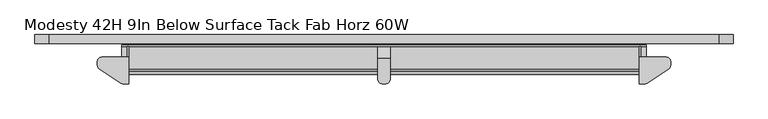
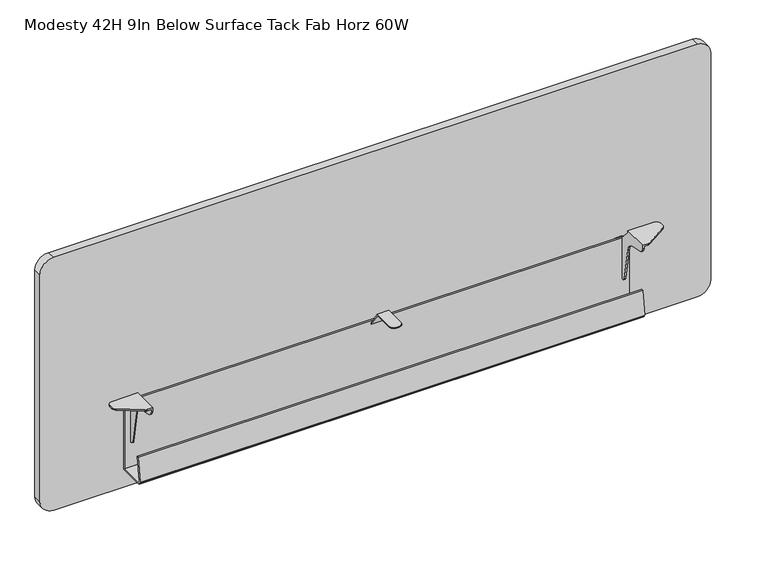
"""IFC4 building model written with IfcOpenShell, lengths in millimetres: furniture geometry, Modesty 42H 9In Below Surface Tack Fab Horz 60W."""

from ifc_helpers import new_model, si_unit, point, frame, frame_2d, origin, place, context, project, spatial, polyline, circle_curve, trimmed, segment, composite_curve, outline, extrude, faceted_brep, source, transform, mapped, element, save


def modesty_42h_9in_below_surface_tack_fab_horz_60w_67b7ecd4(model_context):
    return source(origin(), model_context, "Body", "SolidModel", [
        faceted_brep([(1354.5570723, -28.1940001, 686.8920118), (1297.788081, -28.1940001, 686.8920118), (1297.788081, -84.8360008, 686.8920118), (1308.8913731, -84.8360008, 686.8920118), (1310.7360279, -84.6556703, 686.8920118), (1312.5108288, -84.1215187, 686.8920118), (1314.148574, -83.2537619, 686.8920118), (1359.8142732, -53.0282948, 686.8920118), (1362.0968646, -50.905943, 686.8920118), (1363.5721197, -48.1603598, 686.8920118), (1364.0820723, -45.0855338, 686.8920118), (1364.0820723, -37.7190004, 686.8920118), (1362.8059692, -32.9564998, 686.8920118), (1359.3195723, -29.470108, 686.8920118), (1297.788081, -84.8360008, 679.2605736), (1300.836069, -84.8360008, 679.2605736), (1300.836069, -84.8360008, 683.8440147), (1308.8913731, -84.8360008, 683.8440147), (1300.836069, 0.0, 561.6700404), (1288.0090812, 0.0, 561.6700404), (1283.2465812, 0.0, 562.9461617), (1279.7601843, 0.0, 566.4325404), (1278.4840812, 0.0, 571.1950404), (1278.4840812, 0.0, 647.3950041), (1279.7601843, 0.0, 652.1575041), (1283.2465812, 0.0, 655.6439192), (1288.0090812, 0.0, 656.9200041), (1300.836069, 0.0, 656.9200041), (1300.836069, -28.1940001, 683.8440147), (1354.5570723, -28.1940001, 683.8440147), (1359.3195723, -29.470108, 683.8440147), (1362.8059692, -32.9564998, 683.8440147), (1364.0820723, -37.7190004, 683.8440147), (1364.0820723, -45.0855338, 683.8440147), (1363.5721197, -48.1603598, 683.8440147), (1362.0968646, -50.905943, 683.8440147), (1359.8142732, -53.0282948, 683.8440147), (1314.148574, -83.2537619, 683.8440147), (1312.5108288, -84.1215187, 683.8440147), (1310.7360279, -84.6556703, 683.8440147), (1300.836069, -83.485134, 673.5608488), (1300.836069, -79.719916, 669.0736227), (1300.836069, -74.3413335, 666.7535608), (1300.836069, -48.1471565, 662.1348021), (1300.836069, -38.6002931, 658.342083), (1300.836069, -31.336431, 651.0782095), (1300.836069, -27.5437042, 641.5313358), (1300.836069, -14.3872464, 566.9173582), (1300.836069, -13.2271995, 564.2280965), (1300.836069, -10.9835922, 562.3454716), (1300.836069, -8.1337173, 561.6700404), (1300.836069, -5.0799997, 656.9200041), (1300.836069, -28.1940001, 681.8120167), (1297.788081, -28.1940001, 681.8120167), (1297.788081, -5.0799997, 656.9200041), (1288.0090812, -3.0479994, 656.9200041), (1297.788081, -3.0479994, 656.9200041), (1297.788081, -79.719916, 669.0736227), (1297.788081, -74.3413335, 666.7535608), (1297.788081, -83.485134, 673.5608488), (1297.788081, -8.1337173, 561.6700404), (1297.788081, -3.0479994, 561.6700404), (1288.0090812, -3.0479994, 561.6700404), (1297.788081, -10.9835922, 562.3454716), (1297.788081, -13.2271995, 564.2280965), (1297.788081, -14.3872464, 566.9173582), (1297.788081, -27.5437042, 641.5313358), (1297.788081, -31.336431, 651.0782095), (1297.788081, -38.6002931, 658.342083), (1297.788081, -48.1471565, 662.1348021), (1283.2465812, -3.0479994, 655.6439192), (1279.7601843, -3.0479994, 652.1575041), (1278.4840812, -3.0479994, 647.3950041), (1278.4840812, -3.0479994, 571.1950404), (1279.7601843, -3.0479994, 566.4325404), (1283.2465812, -3.0479994, 562.9461617)], [[[0, 1, 2, 3, 4, 5, 6, 7, 8, 9, 10, 11, 12, 13]], [[3, 2, 14, 15, 16, 17]], [[18, 19, 20, 21, 22, 23, 24, 25, 26, 27]], [[28, 29, 30, 31, 32, 33, 34, 35, 36, 37, 38, 39, 17, 16]], [[16, 15, 40, 41, 42, 43, 44, 45, 46, 47, 48, 49, 50, 18, 27, 51, 52, 28]], [[29, 28, 52, 53, 1, 0]], [[13, 30, 29, 0]], [[12, 31, 30, 13]], [[11, 32, 31, 12]], [[10, 33, 32, 11]], [[9, 34, 33, 10]], [[8, 35, 34, 9]], [[7, 36, 35, 8]], [[6, 37, 36, 7]], [[5, 38, 37, 6]], [[4, 39, 38, 5]], [[3, 17, 39, 4]], [[51, 54, 53, 52]], [[27, 26, 55, 56, 54, 51]], [[41, 57, 58, 42]], [[40, 59, 57, 41]], [[15, 14, 59, 40]], [[50, 60, 61, 62, 19, 18]], [[49, 63, 60, 50]], [[48, 64, 63, 49]], [[47, 65, 64, 48]], [[46, 66, 65, 47]], [[45, 67, 66, 46]], [[44, 68, 67, 45]], [[43, 69, 68, 44]], [[42, 58, 69, 43]], [[61, 60, 63, 64, 65, 66, 67, 68, 69, 58, 57, 59, 14, 2, 1, 53, 54, 56]], [[56, 55, 70, 71, 72, 73, 74, 75, 62, 61]], [[70, 55, 26, 25]], [[25, 24, 71, 70]], [[24, 23, 72, 71]], [[23, 22, 73, 72]], [[22, 21, 74, 73]], [[21, 20, 75, 74]], [[20, 19, 62, 75]]]),
        faceted_brep([(166.4078114, -28.1940001, 686.8920118), (161.6453114, -29.470108, 686.8920118), (158.1589145, -32.9564998, 686.8920118), (156.8828114, -37.7190004, 686.8920118), (156.8828114, -45.0855338, 686.8920118), (157.3927639, -48.1603598, 686.8920118), (158.8680191, -50.905943, 686.8920118), (161.1506105, -53.0282948, 686.8920118), (206.8163097, -83.2537619, 686.8920118), (208.4540549, -84.1215187, 686.8920118), (210.2288557, -84.6556703, 686.8920118), (212.0735106, -84.8360008, 686.8920118), (223.1768027, -84.8360008, 686.8920118), (223.1768027, -28.1940001, 686.8920118), (212.0735106, -84.8360008, 683.8440147), (220.1288147, -84.8360008, 683.8440147), (220.1288147, -84.8360008, 679.2605736), (223.1768027, -84.8360008, 679.2605736), (220.1288147, 0.0, 561.6700404), (220.1288147, 0.0, 656.9200041), (232.9558024, 0.0, 656.9200041), (237.7183024, 0.0, 655.6439192), (241.2046994, 0.0, 652.1575041), (242.4808024, 0.0, 647.3950041), (242.4808024, 0.0, 571.1950404), (241.2046994, 0.0, 566.4325404), (237.7183024, 0.0, 562.9461617), (232.9558024, 0.0, 561.6700404), (220.1288147, -28.1940001, 683.8440147), (210.2288557, -84.6556703, 683.8440147), (208.4540549, -84.1215187, 683.8440147), (206.8163097, -83.2537619, 683.8440147), (161.1506105, -53.0282948, 683.8440147), (158.8680191, -50.905943, 683.8440147), (157.3927639, -48.1603598, 683.8440147), (156.8828114, -45.0855338, 683.8440147), (156.8828114, -37.7190004, 683.8440147), (158.1589145, -32.9564998, 683.8440147), (161.6453114, -29.470108, 683.8440147), (166.4078114, -28.1940001, 683.8440147), (220.1288147, -28.1940001, 681.8120167), (220.1288147, -5.0799997, 656.9200041), (220.1288147, -8.1337173, 561.6700404), (220.1288147, -10.9835922, 562.3454716), (220.1288147, -13.2271995, 564.2280965), (220.1288147, -14.3872464, 566.9173582), (220.1288147, -27.5437042, 641.5313358), (220.1288147, -31.336431, 651.0782095), (220.1288147, -38.6002931, 658.342083), (220.1288147, -48.1471565, 662.1348021), (220.1288147, -74.3413335, 666.7535608), (220.1288147, -79.719916, 669.0736227), (220.1288147, -83.485134, 673.5608488), (223.1768027, -28.1940001, 681.8120167), (223.1768027, -5.0799997, 656.9200041), (223.1768027, -3.0479994, 656.9200041), (232.9558024, -3.0479994, 656.9200041), (223.1768027, -74.3413335, 666.7535608), (223.1768027, -79.719916, 669.0736227), (223.1768027, -83.485134, 673.5608488), (232.9558024, -3.0479994, 561.6700404), (223.1768027, -3.0479994, 561.6700404), (223.1768027, -8.1337173, 561.6700404), (223.1768027, -10.9835922, 562.3454716), (223.1768027, -13.2271995, 564.2280965), (223.1768027, -14.3872464, 566.9173582), (223.1768027, -27.5437042, 641.5313358), (223.1768027, -31.336431, 651.0782095), (223.1768027, -38.6002931, 658.342083), (223.1768027, -48.1471565, 662.1348021), (237.7183024, -3.0479994, 562.9461617), (241.2046994, -3.0479994, 566.4325404), (242.4808024, -3.0479994, 571.1950404), (242.4808024, -3.0479994, 647.3950041), (241.2046994, -3.0479994, 652.1575041), (237.7183024, -3.0479994, 655.6439192)], [[[0, 1, 2, 3, 4, 5, 6, 7, 8, 9, 10, 11, 12, 13]], [[11, 14, 15, 16, 17, 12]], [[18, 19, 20, 21, 22, 23, 24, 25, 26, 27]], [[28, 15, 14, 29, 30, 31, 32, 33, 34, 35, 36, 37, 38, 39]], [[15, 28, 40, 41, 19, 18, 42, 43, 44, 45, 46, 47, 48, 49, 50, 51, 52, 16]], [[39, 0, 13, 53, 40, 28]], [[1, 0, 39, 38]], [[2, 1, 38, 37]], [[3, 2, 37, 36]], [[4, 3, 36, 35]], [[5, 4, 35, 34]], [[6, 5, 34, 33]], [[7, 6, 33, 32]], [[8, 7, 32, 31]], [[9, 8, 31, 30]], [[10, 9, 30, 29]], [[11, 10, 29, 14]], [[41, 40, 53, 54]], [[19, 41, 54, 55, 56, 20]], [[51, 50, 57, 58]], [[52, 51, 58, 59]], [[16, 52, 59, 17]], [[42, 18, 27, 60, 61, 62]], [[43, 42, 62, 63]], [[44, 43, 63, 64]], [[45, 44, 64, 65]], [[46, 45, 65, 66]], [[47, 46, 66, 67]], [[48, 47, 67, 68]], [[49, 48, 68, 69]], [[50, 49, 69, 57]], [[61, 55, 54, 53, 13, 12, 17, 59, 58, 57, 69, 68, 67, 66, 65, 64, 63, 62]], [[55, 61, 60, 70, 71, 72, 73, 74, 75, 56]], [[75, 21, 20, 56]], [[21, 75, 74, 22]], [[22, 74, 73, 23]], [[23, 73, 72, 24]], [[24, 72, 71, 25]], [[25, 71, 70, 26]], [[26, 70, 60, 27]]]),
        faceted_brep([(773.176, -30.7450483, 683.8440147), (773.176, -3.0490599, 644.5244466), (773.176, -3.0490599, 570.2298918), (773.176, 0.0, 570.2298918), (773.176, 0.0, 644.522941), (773.176, -29.6671998, 686.8920118), (773.176, -75.4379103, 686.8920118), (773.176, -75.4379103, 683.8440147), (747.776, -29.6671998, 686.8920118), (747.776, 0.0, 644.522941), (747.776, 0.0, 570.2298014), (747.776, -3.0490599, 570.2298014), (747.776, -3.0490599, 644.5244466), (747.776, -30.7450483, 683.8440147), (747.776, -75.4380007, 683.8440147), (747.776, -75.4380007, 686.8920118), (771.8998909, -80.2005007, 683.8440147), (768.4134758, -83.6868931, 683.8440147), (763.6509758, -84.9630007, 683.8440147), (757.301, -84.9630007, 683.8440147), (752.5385, -83.6868931, 683.8440147), (749.0520849, -80.2005007, 683.8440147), (749.0520849, -3.0490599, 565.4673014), (752.5385, -3.0490599, 561.9809226), (757.301, -3.0490599, 560.7048014), (763.6509758, -3.0490599, 560.7048014), (768.4134758, -3.0490599, 561.9809226), (771.8998909, -3.0490599, 565.4673014), (757.301, 0.0, 560.7048014), (763.6509758, 0.0, 560.7048014), (771.8998909, 0.0, 565.4673014), (768.4134758, 0.0, 561.9809226), (752.5385, 0.0, 561.9809226), (749.0520849, 0.0, 565.4673014), (749.0520849, -80.2005007, 686.8920118), (752.5385, -83.6868931, 686.8920118), (757.301, -84.9630007, 686.8920118), (763.6509758, -84.9630007, 686.8920118), (768.4134758, -83.6868931, 686.8920118), (771.8998909, -80.2005007, 686.8920118)], [[[0, 1, 2, 3, 4, 5, 6, 7]], [[8, 9, 10, 11, 12, 13, 14, 15]], [[13, 0, 7, 16, 17, 18, 19, 20, 21, 14]], [[1, 0, 13, 12]], [[1, 12, 11, 22, 23, 24, 25, 26, 27, 2]], [[25, 24, 28, 29]], [[9, 4, 3, 30, 31, 29, 28, 32, 33, 10]], [[5, 4, 9, 8]], [[5, 8, 15, 34, 35, 36, 37, 38, 39, 6]], [[19, 18, 37, 36]], [[21, 34, 15, 14]], [[35, 20, 19, 36]], [[34, 21, 20, 35]], [[17, 38, 37, 18]], [[39, 16, 7, 6]], [[38, 17, 16, 39]], [[23, 32, 28, 24]], [[32, 23, 22, 33]], [[33, 22, 11, 10]], [[27, 30, 3, 2]], [[30, 27, 26, 31]], [[31, 26, 25, 29]]]),
        extrude(outline(composite_curve([segment(polyline([(1042.4922, 1465.58), (1042.4922, 55.372)]), True, "CONTINUOUS"), segment(trimmed(circle_curve(frame_2d((1012.5202, 55.372)), 29.972), [point((1042.4922, 55.372))], [point((1012.5202, 25.4))], False, "CARTESIAN"), True, "CONTINUOUS"), segment(polyline([(1012.5202, 25.4), (487.2475282, 25.4)]), True, "CONTINUOUS"), segment(trimmed(circle_curve(frame_2d((487.2475282, 55.372)), 29.972), [point((487.2475282, 25.4))], [point((457.2755282, 55.372))], False, "CARTESIAN"), True, "CONTINUOUS"), segment(polyline([(457.2755282, 55.372), (457.2755282, 1465.58)]), True, "CONTINUOUS"), segment(trimmed(circle_curve(frame_2d((487.2475282, 1465.58)), 29.972), [point((457.2755282, 1465.58))], [point((487.2475282, 1495.552))], False, "CARTESIAN"), True, "CONTINUOUS"), segment(polyline([(487.2475282, 1495.552), (1012.5202, 1495.552)]), True, "CONTINUOUS"), segment(trimmed(circle_curve(frame_2d((1012.5202, 1465.58)), 29.972), [point((1012.5202, 1495.552))], [point((1042.4922, 1465.58))], False, "CARTESIAN"), True, "CONTINUOUS")], self_intersect=False)), frame((0.0, 0.0, 0.0), z_axis=(0.0, 1.0, 0.0), x_axis=(0.0, 0.0, 1.0)), (0.0, 0.0, 1.0), 19.05),
        extrude(outline(polyline([(-3.048, 657.6819489), (-3.048, 500.6337951), (-58.2252166, 500.6337951), (-61.6526328, 501.6382032), (-63.9957855, 504.3336782), (-64.5134184, 507.8675105), (-56.9965739, 561.3526543), (-53.8524707, 560.9107844), (-61.3693175, 507.4256407), (-61.1105011, 505.6587427), (-59.9389247, 504.3109689), (-58.2252166, 503.808783), (-6.2210553, 503.808783), (-6.2210553, 657.6819489), (-3.048, 657.6819489)])), frame((207.7525353, 0.0, 0.0), z_axis=(1.0, 0.0, 0.0), x_axis=(0.0, 1.0, 0.0)), (0.0, 0.0, 1.0), 1105.4587777),
    ])


if __name__ == "__main__":
    model = new_model("IFC4")
    model_context = context("Model", 3, world=origin())
    ifc_project = project(units=[si_unit("LENGTHUNIT", "METRE", prefix="MILLI")], contexts=[model_context])
    site = spatial("IfcSite", under=ifc_project)
    building = spatial("IfcBuilding", under=site)
    placement = place(None, origin())
    modesty_42h_9in_below_surface_tack_fab_horz_60w_shape = modesty_42h_9in_below_surface_tack_fab_horz_60w_67b7ecd4(model_context)
    element("IfcFurniture", 1, ObjectType="Modesty 42H 9In Below Surface Tack Fab Horz 60W", at=placement, inside=building, context=model_context, shape_type="MappedRepresentation", body=[
        mapped(modesty_42h_9in_below_surface_tack_fab_horz_60w_shape, transform((0.0, 0.0, 0.0), x_axis=(1.0, 0.0, 0.0), y_axis=(0.0, 1.0, 0.0), z_axis=(0.0, 0.0, 1.0))),
    ])
    save(model, "model.ifc")
